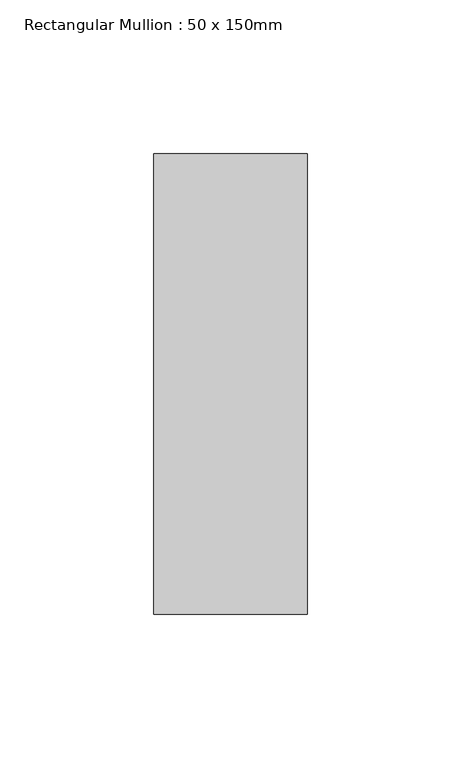
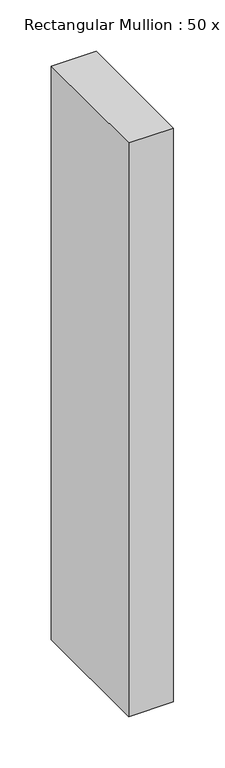
"""IFC4 building model written with IfcOpenShell, lengths in millimetres: member geometry, Rectangular Mullion : 50 x 150mm."""

from ifc_helpers import new_model, si_unit, frame, origin, place, context, project, spatial, polyline, outline, extrude, source, transform, mapped, element, save


def rectangular_mullion_50_x_150mm_1911e561(model_context):
    return source(origin(), model_context, "Body", "SweptSolid", [
        extrude(outline(polyline([(0.0, 75.0), (0.0, -75.0), (-50.0, -75.0), (-50.0, 75.0), (0.0, 75.0)])), frame((0.0, 0.0, -680.0), z_axis=(0.0, 0.0, 1.0), x_axis=(1.0, 0.0, 0.0)), (0.0, 0.0, 1.0), 680.0),
    ])


if __name__ == "__main__":
    model = new_model("IFC4")
    model_context = context("Model", 3, world=origin())
    ifc_project = project(units=[si_unit("LENGTHUNIT", "METRE", prefix="MILLI")], contexts=[model_context])
    site = spatial("IfcSite", under=ifc_project)
    building = spatial("IfcBuilding", under=site)
    placement = place(None, origin())
    rectangular_mullion_50_x_150mm_shape = rectangular_mullion_50_x_150mm_1911e561(model_context)
    element("IfcMember", 1, ObjectType="Rectangular Mullion : 50 x 150mm", at=placement, inside=building, context=model_context, shape_type="MappedRepresentation", body=[
        mapped(rectangular_mullion_50_x_150mm_shape, transform((0.0, 0.0, 0.0), x_axis=(1.0, 0.0, 0.0), y_axis=(0.0, 1.0, 0.0), z_axis=(0.0, 0.0, 1.0))),
    ])
    save(model, "model.ifc")
